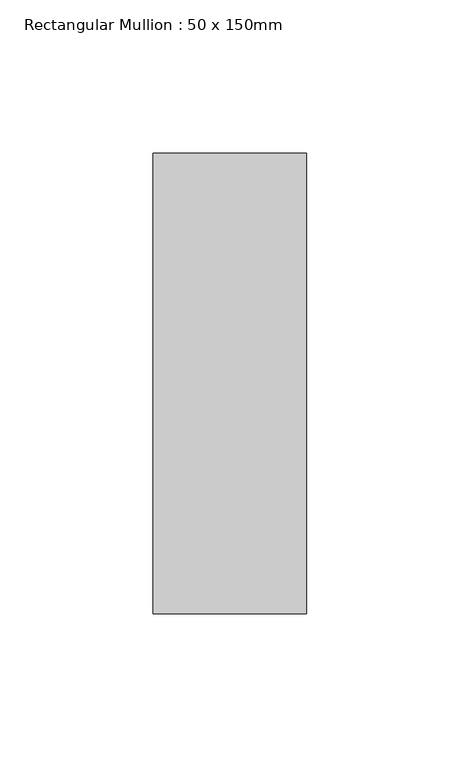
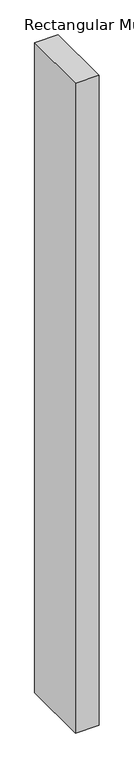
"""IFC4 building model written with IfcOpenShell, lengths in millimetres: member geometry, Rectangular Mullion : 50 x 150mm."""

from ifc_helpers import new_model, si_unit, frame, origin, place, context, project, spatial, polyline, outline, extrude, source, transform, mapped, element, save


def rectangular_mullion_50_x_150mm_2e7c8c4d(model_context):
    return source(origin(), model_context, "Body", "SweptSolid", [
        extrude(outline(polyline([(0.0, 75.0), (0.0, -75.0), (-50.0, -75.0), (-50.0, 75.0), (0.0, 75.0)])), frame((0.0, 0.0, -1461.7504762), z_axis=(0.0, 0.0, 1.0), x_axis=(1.0, 0.0, 0.0)), (0.0, 0.0, 1.0), 1461.7504762),
    ])


if __name__ == "__main__":
    model = new_model("IFC4")
    model_context = context("Model", 3, world=origin())
    ifc_project = project(units=[si_unit("LENGTHUNIT", "METRE", prefix="MILLI")], contexts=[model_context])
    site = spatial("IfcSite", under=ifc_project)
    building = spatial("IfcBuilding", under=site)
    placement = place(None, origin())
    rectangular_mullion_50_x_150mm_shape = rectangular_mullion_50_x_150mm_2e7c8c4d(model_context)
    element("IfcMember", 1, ObjectType="Rectangular Mullion : 50 x 150mm", at=placement, inside=building, context=model_context, shape_type="MappedRepresentation", body=[
        mapped(rectangular_mullion_50_x_150mm_shape, transform((0.0, 0.0, 0.0), x_axis=(1.0, 0.0, 0.0), y_axis=(0.0, 1.0, 0.0), z_axis=(0.0, 0.0, 1.0))),
    ])
    save(model, "model.ifc")
